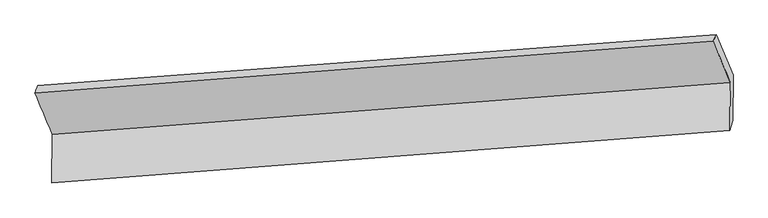
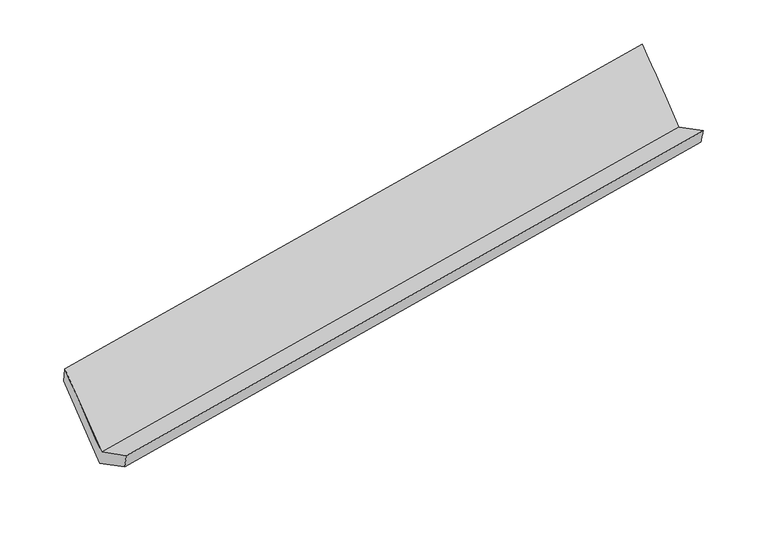
"""IFC4 building model written with IfcOpenShell, lengths in millimetres: proxy geometry."""

from ifc_helpers import new_model, si_unit, frame, origin, place, context, project, spatial, source, transform, mapped, element, save
from ifc_brep_helpers import plane_surface, spline_surface, advanced_brep


def generic_models_f0df7a7c(model_context):
    return source(origin(), model_context, "Body", "AdvancedBrep", [
        advanced_brep(
        [(-5428.7819702, -1404.0237678, 1898.3103416), (-5302.1506604, -1705.7099882, 1316.4591192), (-354.4217951, -1327.7043279, 2173.1214058), (-480.1620349, -1027.124554, 2752.8450338), (-5304.9027953, -2062.4593061, 1500.8324484), (-357.1358937, -1679.5231405, 2354.9465768), (-5285.5615114, -2006.3679774, 1363.6684872), (-336.813759, -1606.8994282, 2203.9790261), (-5282.7921774, -1647.389191, 1178.1429357), (-334.239622, -1273.2233272, 2031.5302771), (-5407.9952318, -1349.1056439, 1753.4315459), (-457.2737109, -979.112558, 2598.777234)],
        [
            (0, 1),
            (1, 2),
            (2, 3),
            (3, 0),
            (1, 4),
            (4, 5),
            (5, 2),
            (4, 6),
            (6, 7),
            (7, 5),
            (6, 8),
            (8, 9),
            (9, 7),
            (8, 10),
            (10, 11),
            (11, 9),
            (10, 0),
            (3, 11),
        ],
        [
            spline_surface(1, 1, [[(-5428.7819702, -1404.0237678, 1898.3103416), (-480.1620349, -1027.124554, 2752.8450338)], [(-5302.1506604, -1705.7099882, 1316.4591192), (-354.4217951, -1327.7043279, 2173.1214058)]], [2, 2], [2, 2], [0.0, 1.0], [0.0, 1.0]),
            plane_surface(frame((-5303.5267278, -1884.0846472, 1408.6457838), z_axis=(-0.18559530810799305, 0.45227680913443824, 0.8723531793531047), x_axis=(-0.006853167285968888, -0.8883513709946697, 0.459113140467621))),
            spline_surface(1, 1, [[(-5304.9027953, -2062.4593061, 1500.8324484), (-357.1358937, -1679.5231405, 2354.9465768)], [(-5285.5615114, -2006.3679774, 1363.6684872), (-336.813759, -1606.8994282, 2203.9790261)]], [2, 2], [2, 2], [0.0, 1.0], [0.0, 1.0]),
            plane_surface(frame((-5284.1768444, -1826.8785842, 1270.9057114), z_axis=(0.18466902188145118, -0.452351291445684, -0.8725111239891272), x_axis=(0.006853167286015284, 0.888351370994715, -0.45911314046753254))),
            spline_surface(1, 1, [[(-5282.7921774, -1647.389191, 1178.1429357), (-334.239622, -1273.2233272, 2031.5302771)], [(-5407.9952318, -1349.1056439, 1753.4315459), (-457.2737109, -979.112558, 2598.777234)]], [2, 2], [2, 2], [0.0, 1.0], [0.0, 1.0]),
            spline_surface(1, 1, [[(-5407.9952318, -1349.1056439, 1753.4315459), (-457.2737109, -979.112558, 2598.777234)], [(-5428.7819702, -1404.0237678, 1898.3103416), (-480.1620349, -1027.124554, 2752.8450338)]], [2, 2], [2, 2], [0.0, 1.0], [0.0, 1.0]),
            plane_surface(frame((-386.6744693, -1315.5978893, 2352.5332589), z_axis=(0.9819377283806112, 0.08083495554985139, 0.1710672602924901), x_axis=(-0.189080225515189, 0.45199286677232037, 0.8717517517654122))),
            plane_surface(frame((-5335.3640578, -1695.8426457, 1501.8074797), z_axis=(-0.9818181208602526, -0.08112039094603742, -0.17161777216595284), x_axis=(0.1329700791765992, 0.3513041407327748, -0.9267709311085323))),
        ],
        [
            (0, [[1, 2, 3, 4]]),
            (1, [[5, 6, 7, -2]]),
            (2, [[8, 9, 10, -6]]),
            (3, [[11, 12, 13, -9]]),
            (4, [[14, 15, 16, -12]]),
            (5, [[17, -4, 18, -15]]),
            (6, [[-16, -18, -3, -7, -10, -13]]),
            (7, [[-17, -14, -11, -8, -5, -1]]),
        ],
    ),
    ])


if __name__ == "__main__":
    model = new_model("IFC4")
    model_context = context("Model", 3, world=origin())
    ifc_project = project(units=[si_unit("LENGTHUNIT", "METRE", prefix="MILLI")], contexts=[model_context])
    site = spatial("IfcSite", under=ifc_project)
    building = spatial("IfcBuilding", under=site)
    placement = place(None, origin())
    generic_models_shape = generic_models_f0df7a7c(model_context)
    element("IfcBuildingElementProxy", 1, Name="Generic Models", at=placement, inside=building, context=model_context, shape_type="MappedRepresentation", body=[
        mapped(generic_models_shape, transform((0.0, 0.0, 0.0), x_axis=(1.0, 0.0, 0.0), y_axis=(0.0, 1.0, 0.0), z_axis=(0.0, 0.0, 1.0))),
    ])
    save(model, "model.ifc")
